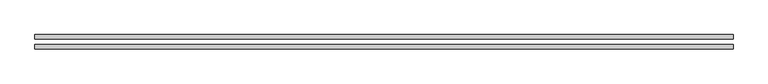
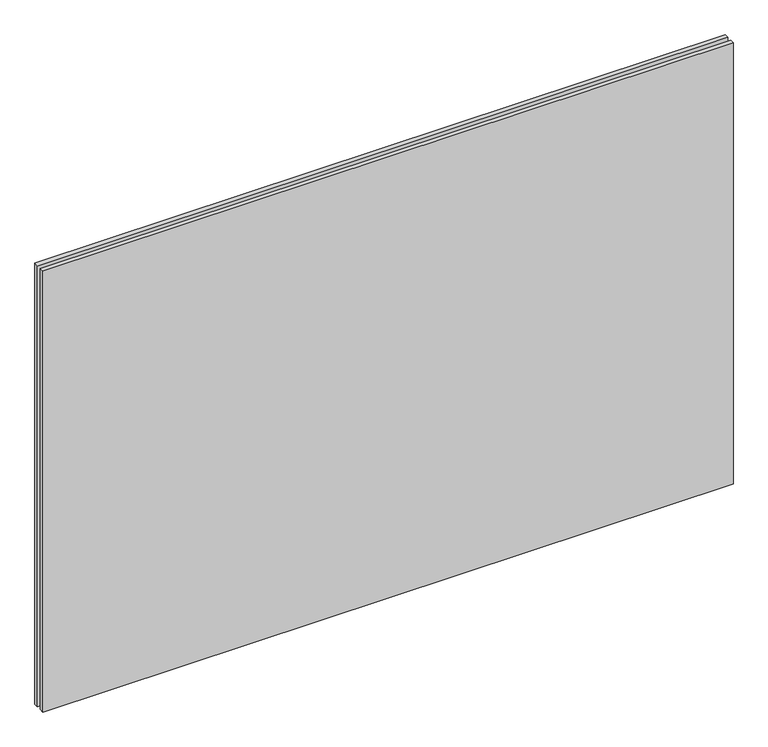
"""IFC4 building model written with IfcOpenShell, lengths in millimetres: plate geometry."""

from ifc_helpers import new_model, si_unit, origin, origin_with_axes, place, context, project, spatial, polyline, outline, extrude, source, transform, mapped, element, save


def plate_9efb0333(model_context):
    return source(origin(), model_context, "Body", "SweptSolid", [
        extrude(outline(polyline([(616.6, -40.8), (-616.6, -40.8), (-616.6, -32.8), (616.6, -32.8), (616.6, -40.8)])), origin_with_axes(), (0.0, 0.0, 1.0), 833.3),
        extrude(outline(polyline([(616.6, -23.8), (-616.6, -23.8), (-616.6, -15.8), (616.6, -15.8), (616.6, -23.8)])), origin_with_axes(), (0.0, 0.0, 1.0), 833.3),
    ])


if __name__ == "__main__":
    model = new_model("IFC4")
    model_context = context("Model", 3, world=origin())
    ifc_project = project(units=[si_unit("LENGTHUNIT", "METRE", prefix="MILLI")], contexts=[model_context])
    site = spatial("IfcSite", under=ifc_project)
    building = spatial("IfcBuilding", under=site)
    placement = place(None, origin())
    plate_shape = plate_9efb0333(model_context)
    element("IfcPlate", 1, at=placement, inside=building, context=model_context, shape_type="MappedRepresentation", body=[
        mapped(plate_shape, transform((0.0, 0.0, 0.0), x_axis=(1.0, 0.0, 0.0), y_axis=(0.0, 1.0, 0.0), z_axis=(0.0, 0.0, 1.0))),
    ])
    save(model, "model.ifc")
